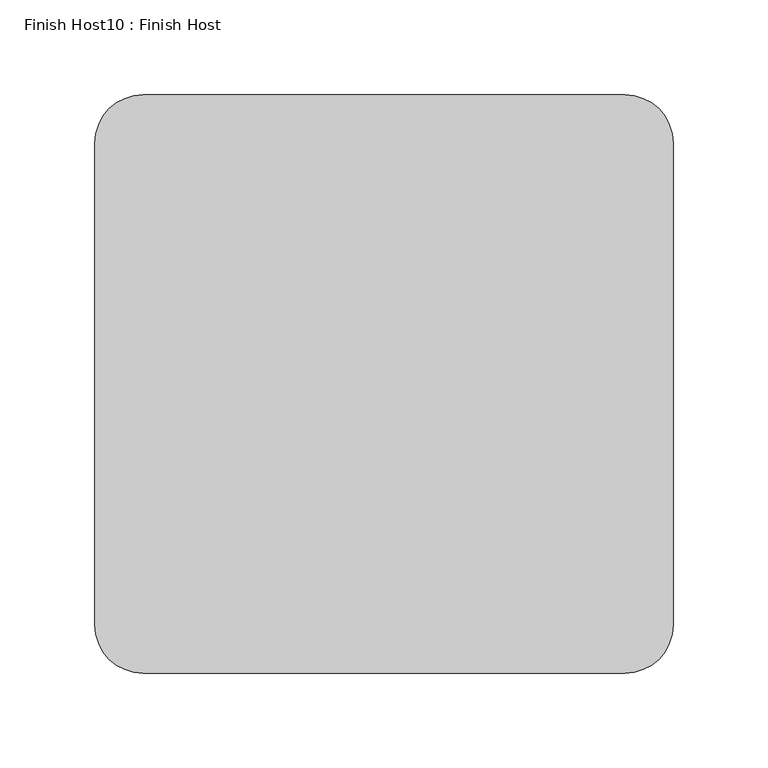
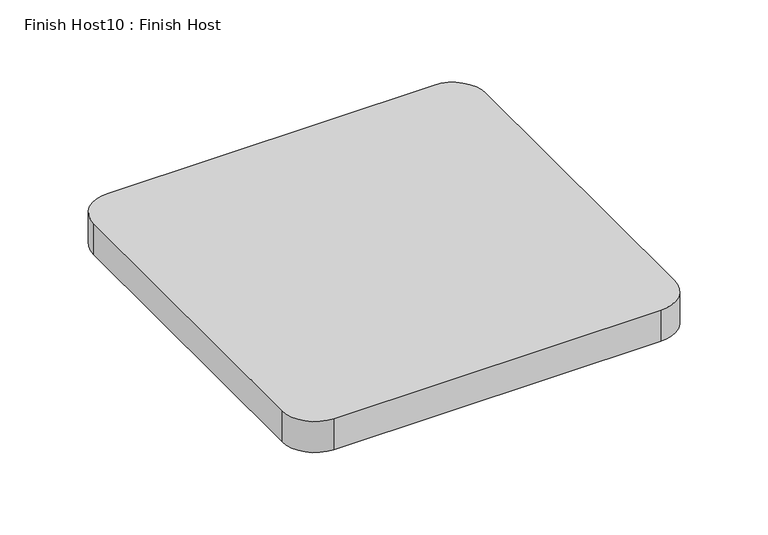
"""IFC4 building model written with IfcOpenShell, lengths in millimetres: proxy geometry, Finish Host10 : Finish Host."""

import ifcopenshell
import ifcopenshell.guid

model = None  # the IFC model being written
_history = None  # IfcOwnerHistory: only IFC2X3 demands one
_inside = {}  # id of a spatial element -> (the spatial element, [elements in it])
_under = {}  # id of a project, library or spatial element -> (it, [spatial elements below it])
_declared = {}  # id of a project -> (the project, [libraries it declares])
_typed = {}  # id of a type object -> (the type object, [elements of that type])
_made_of = {}  # id of a material, layer set ... -> (it, [elements and type objects made of it])


def new_model(schema):
    """Start an empty IFC model of exactly this schema.

    Asked for "IFC4X3", IfcOpenShell would pick the latest addendum, in which some entities
    have other attributes; the version numbers below select the first issue.
    IFC2X3 requires an IfcOwnerHistory on every rooted entity: one is made here for all.
    """
    global model, _history
    if schema == "IFC4X3":
        model = ifcopenshell.file(schema_version=(4, 3, 0, 0))
    else:
        model = ifcopenshell.file(schema=schema)
    _inside.clear()
    _under.clear()
    _declared.clear()
    _typed.clear()
    _made_of.clear()
    _history = None
    if model.schema == "IFC2X3":
        org = make("IfcOrganization", Name="unknown")
        user = make(
            "IfcPersonAndOrganization",
            ThePerson=make("IfcPerson", FamilyName="unknown"),
            TheOrganization=org,
        )
        app = make(
            "IfcApplication",
            ApplicationDeveloper=org,
            Version="unknown",
            ApplicationFullName="unknown",
            ApplicationIdentifier="unknown",
        )
        _history = make(
            "IfcOwnerHistory",
            OwningUser=user,
            OwningApplication=app,
            ChangeAction="ADDED",
            CreationDate=0,
        )
    return model


def make(cls, **values):
    """One entity of the class cls with the attributes given. An attribute that is None is left unset."""
    return model.create_entity(
        cls, **{name: value for name, value in values.items() if value is not None}
    )


def rooted(cls, **values):
    """An entity with a GlobalId (a new one), such as an element, a storey or a relation."""
    return make(cls, GlobalId=ifcopenshell.guid.new(), OwnerHistory=_history, **values)


def si_unit(unit_type, name, prefix=None):
    """IfcSIUnit, for example si_unit("LENGTHUNIT", "METRE", prefix="MILLI")."""
    return make("IfcSIUnit", UnitType=unit_type, Prefix=prefix, Name=name)


def assignment(units):
    """IfcUnitAssignment: the units of a project."""
    return None if units is None else make("IfcUnitAssignment", Units=units)


def point(xyz):
    """IfcCartesianPoint."""
    return None if xyz is None else make("IfcCartesianPoint", Coordinates=xyz)


def direction(xyz):
    """IfcDirection."""
    return None if xyz is None else make("IfcDirection", DirectionRatios=xyz)


def frame(location, z_axis=None, x_axis=None):
    """IfcAxis2Placement3D, a coordinate frame: its origin and axes. An axis left out is left unset."""
    return make(
        "IfcAxis2Placement3D",
        Location=point(location),
        Axis=direction(z_axis),
        RefDirection=direction(x_axis),
    )


def frame_2d(location, x_axis=None):
    """IfcAxis2Placement2D, a coordinate frame in the plane: its origin and x axis."""
    return make(
        "IfcAxis2Placement2D", Location=point(location), RefDirection=direction(x_axis)
    )


def origin():
    """The frame at (0, 0, 0) with its axes left unset."""
    return frame((0.0, 0.0, 0.0))


def origin_with_axes():
    """The frame at (0, 0, 0) with the z axis (0, 0, 1) and the x axis (1, 0, 0) written out."""
    return frame((0.0, 0.0, 0.0), z_axis=(0.0, 0.0, 1.0), x_axis=(1.0, 0.0, 0.0))


def place(relative_to, where):
    """IfcLocalPlacement: puts the frame where relative to a parent placement (None: the world)."""
    return make(
        "IfcLocalPlacement", PlacementRelTo=relative_to, RelativePlacement=where
    )


def context(
    kind, dimensions, precision=None, world=None, true_north=None, identifier=None
):
    """IfcGeometricRepresentationContext, for example the 3D "Model" context."""
    return make(
        "IfcGeometricRepresentationContext",
        ContextIdentifier=identifier,
        ContextType=kind,
        CoordinateSpaceDimension=dimensions,
        Precision=precision,
        WorldCoordinateSystem=world,
        TrueNorth=true_north,
    )


def project(units=None, contexts=None):
    """IfcProject with its units and contexts."""
    return rooted(
        "IfcProject",
        Name="project",
        RepresentationContexts=contexts,
        UnitsInContext=assignment(units),
    )


def spatial(cls, under=None, at=None, **own):
    """A site, building, storey or space (cls), placed at a placement, below another one or the project."""
    s = rooted(cls, ObjectPlacement=at, **own)
    if under is not None:
        _under.setdefault(under.id(), (under, []))[1].append(s)
    return s


def polyline(points):
    """IfcPolyline through the points."""
    return make("IfcPolyline", Points=[point(p) for p in points])


def circle_curve(where, radius):
    """IfcCircle in the frame where."""
    return make("IfcCircle", Position=where, Radius=radius)


def trimmed(basis, trim1, trim2, sense, master):
    """IfcTrimmedCurve: the piece of a basis curve between two trims."""
    return make(
        "IfcTrimmedCurve",
        BasisCurve=basis,
        Trim1=trim1,
        Trim2=trim2,
        SenseAgreement=sense,
        MasterRepresentation=master,
    )


def segment(curve, same_sense, transition):
    """IfcCompositeCurveSegment."""
    return make(
        "IfcCompositeCurveSegment",
        Transition=transition,
        SameSense=same_sense,
        ParentCurve=curve,
    )


def composite_curve(segments, self_intersect=None):
    """IfcCompositeCurve: segments joined end to end."""
    return make("IfcCompositeCurve", Segments=segments, SelfIntersect=self_intersect)


def outline(outer, holes=None, kind="AREA"):
    """IfcArbitraryClosedProfileDef: a profile drawn as a closed curve; with holes, ...WithVoids."""
    if holes is None:
        return make("IfcArbitraryClosedProfileDef", ProfileType=kind, OuterCurve=outer)
    return make(
        "IfcArbitraryProfileDefWithVoids",
        ProfileType=kind,
        OuterCurve=outer,
        InnerCurves=holes,
    )


def extrude(swept, where, along, depth):
    """IfcExtrudedAreaSolid: the profile swept, set in the frame where, extruded along a direction by depth."""
    return make(
        "IfcExtrudedAreaSolid",
        SweptArea=swept,
        Position=where,
        ExtrudedDirection=direction(along),
        Depth=depth,
    )


def shape(context_of_items, identifier, shape_type, items):
    """IfcShapeRepresentation: the items that make up one representation, for example the "Body"."""
    return make(
        "IfcShapeRepresentation",
        ContextOfItems=context_of_items,
        RepresentationIdentifier=identifier,
        RepresentationType=shape_type,
        Items=items,
    )


def source(mapping_origin, context_of_items, identifier, shape_type, items):
    """IfcRepresentationMap: a shape defined once, which mapped items show again and again."""
    return make(
        "IfcRepresentationMap",
        MappingOrigin=mapping_origin,
        MappedRepresentation=shape(context_of_items, identifier, shape_type, items),
    )


def transform(
    local_origin,
    x_axis=None,
    y_axis=None,
    z_axis=None,
    scale=None,
    scale2=None,
    scale3=None,
    uniform=True,
):
    """IfcCartesianTransformationOperator3D, or its non-uniform kind. x_axis, y_axis, z_axis: its Axis1, 2, 3."""
    if uniform:
        return make(
            "IfcCartesianTransformationOperator3D",
            Axis1=direction(x_axis),
            Axis2=direction(y_axis),
            LocalOrigin=point(local_origin),
            Scale=scale,
            Axis3=direction(z_axis),
        )
    return make(
        "IfcCartesianTransformationOperator3DnonUniform",
        Axis1=direction(x_axis),
        Axis2=direction(y_axis),
        LocalOrigin=point(local_origin),
        Scale=scale,
        Axis3=direction(z_axis),
        Scale2=scale2,
        Scale3=scale3,
    )


def mapped(mapping_source, mapping_target):
    """IfcMappedItem: shows the shape of a source again, moved by a transform."""
    return make(
        "IfcMappedItem", MappingSource=mapping_source, MappingTarget=mapping_target
    )


def made_of(thing, what):
    """Note that an element or type object is made of a material, layer set ...; save() writes the relation."""
    if what is not None:
        _made_of.setdefault(what.id(), (what, []))[1].append(thing)
    return thing


def element(
    cls,
    number,
    at=None,
    inside=None,
    cuts=None,
    type_object=None,
    material=None,
    context=None,
    identifier="Body",
    shape_type=None,
    held_by="IfcProductDefinitionShape",
    body=None,
    shapes=None,
    **own,
):
    """One element of the class cls, such as IfcWall. Its Tag is "e" and its number.

    at: its placement. inside: the storey or other place that contains it. cuts: it is an
    opening in that element (IfcRelVoidsElement). A single representation is given by context,
    identifier, shape_type and body (its items); several are given by shapes. held_by: the class
    of the entity that holds the representations. save() writes the other relations.
    """
    e = rooted(cls, Tag="e%d" % number, ObjectPlacement=at, **own)
    if body is not None:
        shapes = [shape(context, identifier, shape_type, body)]
    if shapes is not None:
        e.Representation = make(held_by, Representations=shapes)
    if inside is not None:
        _inside.setdefault(inside.id(), (inside, []))[1].append(e)
    if cuts is not None:
        rooted(
            "IfcRelVoidsElement", RelatingBuildingElement=cuts, RelatedOpeningElement=e
        )
    if type_object is not None:
        _typed.setdefault(type_object.id(), (type_object, []))[1].append(e)
    return made_of(e, material)


def aggregate(whole, parts):
    """IfcRelAggregates: a whole, such as a stair, and the parts it consists of."""
    return rooted("IfcRelAggregates", RelatingObject=whole, RelatedObjects=parts)


def save(model, path):
    """Write the relations noted so far, then the file.

    IfcRelAggregates (storeys below a building ...), IfcRelContainedInSpatialStructure (elements
    in a storey), IfcRelDefinesByType, IfcRelAssociatesMaterial and IfcRelDeclares: one each for
    every whole, place, type object, material and project.
    """
    for whole, parts in _under.values():
        aggregate(whole, parts)
    for where, things in _inside.values():
        rooted(
            "IfcRelContainedInSpatialStructure",
            RelatedElements=things,
            RelatingStructure=where,
        )
    for kind, things in _typed.values():
        rooted("IfcRelDefinesByType", RelatedObjects=things, RelatingType=kind)
    for what, things in _made_of.values():
        rooted("IfcRelAssociatesMaterial", RelatedObjects=things, RelatingMaterial=what)
    for by, libraries in _declared.values():
        rooted("IfcRelDeclares", RelatingContext=by, RelatedDefinitions=libraries)
    model.write(path)


def finish_host10_finish_host_ea2229f9(model_context):
    return source(origin(), model_context, "Body", "SweptSolid", [
        extrude(outline(composite_curve([segment(polyline([(3477.0934426, 3188.0122951), (3477.0934426, 3442.0122951)]), True, "CONTINUOUS"), segment(trimmed(circle_curve(frame_2d((3502.4934426, 3442.0122951)), 25.4), [point((3477.0934426, 3442.0122951))], [point((3502.4934426, 3467.4122951))], False, "CARTESIAN"), True, "CONTINUOUS"), segment(polyline([(3502.4934426, 3467.4122951), (3756.4934426, 3467.4122951)]), True, "CONTINUOUS"), segment(trimmed(circle_curve(frame_2d((3756.4934426, 3442.0122951)), 25.4), [point((3756.4934426, 3467.4122951))], [point((3781.8934426, 3442.0122951))], False, "CARTESIAN"), True, "CONTINUOUS"), segment(polyline([(3781.8934426, 3442.0122951), (3781.8934426, 3188.0122951)]), True, "CONTINUOUS"), segment(trimmed(circle_curve(frame_2d((3756.4934426, 3188.0122951)), 25.4), [point((3781.8934426, 3188.0122951))], [point((3756.4934426, 3162.6122951))], False, "CARTESIAN"), True, "CONTINUOUS"), segment(polyline([(3756.4934426, 3162.6122951), (3502.4934426, 3162.6122951)]), True, "CONTINUOUS"), segment(trimmed(circle_curve(frame_2d((3502.4934426, 3188.0122951)), 25.4), [point((3502.4934426, 3162.6122951))], [point((3477.0934426, 3188.0122951))], False, "CARTESIAN"), True, "CONTINUOUS")], self_intersect=False)), origin_with_axes(), (0.0, 0.0, 1.0), 25.4),
    ])


if __name__ == "__main__":
    model = new_model("IFC4")
    model_context = context("Model", 3, world=origin())
    ifc_project = project(units=[si_unit("LENGTHUNIT", "METRE", prefix="MILLI")], contexts=[model_context])
    site = spatial("IfcSite", under=ifc_project)
    building = spatial("IfcBuilding", under=site)
    placement = place(None, origin())
    finish_host10_finish_host_shape = finish_host10_finish_host_ea2229f9(model_context)
    element("IfcBuildingElementProxy", 1, Name="Finish Host10 : Finish Host", ObjectType="Finish Host10 : Finish Host", at=placement, inside=building, context=model_context, shape_type="MappedRepresentation", body=[
        mapped(finish_host10_finish_host_shape, transform((0.0, 0.0, 0.0), x_axis=(1.0, 0.0, 0.0), y_axis=(0.0, 1.0, 0.0), z_axis=(0.0, 0.0, 1.0))),
    ])
    save(model, "model.ifc")
